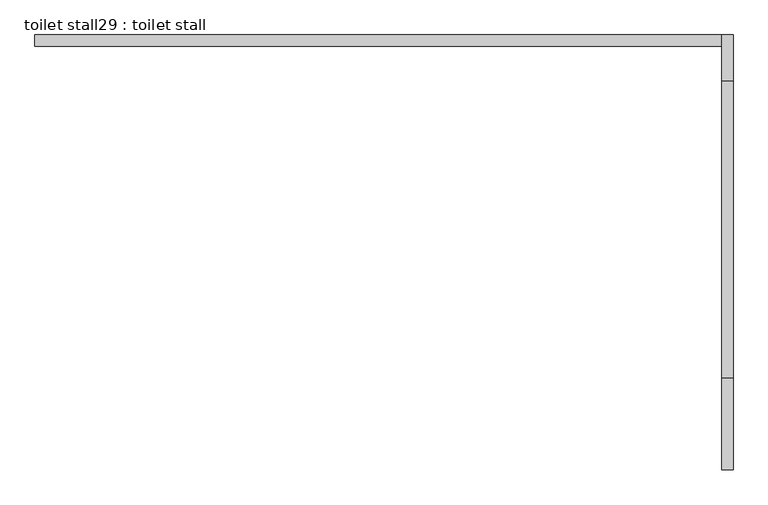
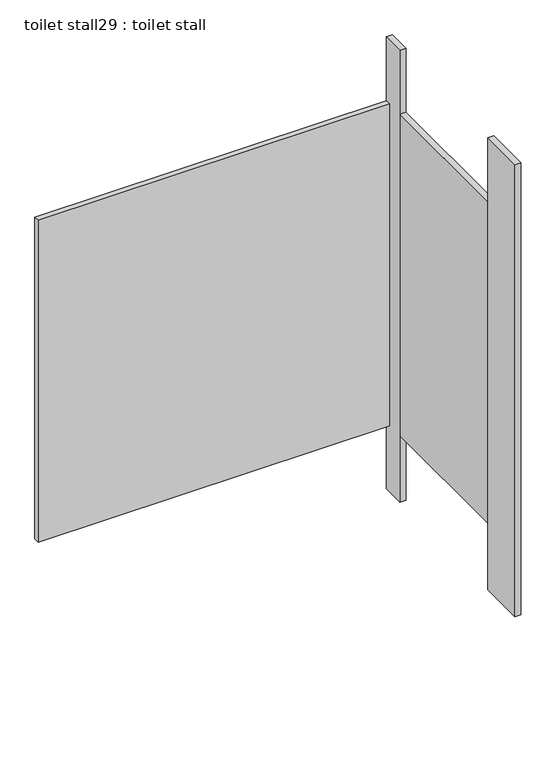
"""IFC4 building model written with IfcOpenShell, lengths in millimetres: proxy geometry, toilet stall29 : toilet stall."""

import ifcopenshell
import ifcopenshell.guid

model = None  # the IFC model being written
_history = None  # IfcOwnerHistory: only IFC2X3 demands one
_inside = {}  # id of a spatial element -> (the spatial element, [elements in it])
_under = {}  # id of a project, library or spatial element -> (it, [spatial elements below it])
_declared = {}  # id of a project -> (the project, [libraries it declares])
_typed = {}  # id of a type object -> (the type object, [elements of that type])
_made_of = {}  # id of a material, layer set ... -> (it, [elements and type objects made of it])


def new_model(schema):
    """Start an empty IFC model of exactly this schema.

    Asked for "IFC4X3", IfcOpenShell would pick the latest addendum, in which some entities
    have other attributes; the version numbers below select the first issue.
    IFC2X3 requires an IfcOwnerHistory on every rooted entity: one is made here for all.
    """
    global model, _history
    if schema == "IFC4X3":
        model = ifcopenshell.file(schema_version=(4, 3, 0, 0))
    else:
        model = ifcopenshell.file(schema=schema)
    _inside.clear()
    _under.clear()
    _declared.clear()
    _typed.clear()
    _made_of.clear()
    _history = None
    if model.schema == "IFC2X3":
        org = make("IfcOrganization", Name="unknown")
        user = make(
            "IfcPersonAndOrganization",
            ThePerson=make("IfcPerson", FamilyName="unknown"),
            TheOrganization=org,
        )
        app = make(
            "IfcApplication",
            ApplicationDeveloper=org,
            Version="unknown",
            ApplicationFullName="unknown",
            ApplicationIdentifier="unknown",
        )
        _history = make(
            "IfcOwnerHistory",
            OwningUser=user,
            OwningApplication=app,
            ChangeAction="ADDED",
            CreationDate=0,
        )
    return model


def make(cls, **values):
    """One entity of the class cls with the attributes given. An attribute that is None is left unset."""
    return model.create_entity(
        cls, **{name: value for name, value in values.items() if value is not None}
    )


def rooted(cls, **values):
    """An entity with a GlobalId (a new one), such as an element, a storey or a relation."""
    return make(cls, GlobalId=ifcopenshell.guid.new(), OwnerHistory=_history, **values)


def si_unit(unit_type, name, prefix=None):
    """IfcSIUnit, for example si_unit("LENGTHUNIT", "METRE", prefix="MILLI")."""
    return make("IfcSIUnit", UnitType=unit_type, Prefix=prefix, Name=name)


def assignment(units):
    """IfcUnitAssignment: the units of a project."""
    return None if units is None else make("IfcUnitAssignment", Units=units)


def point(xyz):
    """IfcCartesianPoint."""
    return None if xyz is None else make("IfcCartesianPoint", Coordinates=xyz)


def direction(xyz):
    """IfcDirection."""
    return None if xyz is None else make("IfcDirection", DirectionRatios=xyz)


def frame(location, z_axis=None, x_axis=None):
    """IfcAxis2Placement3D, a coordinate frame: its origin and axes. An axis left out is left unset."""
    return make(
        "IfcAxis2Placement3D",
        Location=point(location),
        Axis=direction(z_axis),
        RefDirection=direction(x_axis),
    )


def origin():
    """The frame at (0, 0, 0) with its axes left unset."""
    return frame((0.0, 0.0, 0.0))


def origin_with_axes():
    """The frame at (0, 0, 0) with the z axis (0, 0, 1) and the x axis (1, 0, 0) written out."""
    return frame((0.0, 0.0, 0.0), z_axis=(0.0, 0.0, 1.0), x_axis=(1.0, 0.0, 0.0))


def place(relative_to, where):
    """IfcLocalPlacement: puts the frame where relative to a parent placement (None: the world)."""
    return make(
        "IfcLocalPlacement", PlacementRelTo=relative_to, RelativePlacement=where
    )


def context(
    kind, dimensions, precision=None, world=None, true_north=None, identifier=None
):
    """IfcGeometricRepresentationContext, for example the 3D "Model" context."""
    return make(
        "IfcGeometricRepresentationContext",
        ContextIdentifier=identifier,
        ContextType=kind,
        CoordinateSpaceDimension=dimensions,
        Precision=precision,
        WorldCoordinateSystem=world,
        TrueNorth=true_north,
    )


def project(units=None, contexts=None):
    """IfcProject with its units and contexts."""
    return rooted(
        "IfcProject",
        Name="project",
        RepresentationContexts=contexts,
        UnitsInContext=assignment(units),
    )


def spatial(cls, under=None, at=None, **own):
    """A site, building, storey or space (cls), placed at a placement, below another one or the project."""
    s = rooted(cls, ObjectPlacement=at, **own)
    if under is not None:
        _under.setdefault(under.id(), (under, []))[1].append(s)
    return s


def polyline(points):
    """IfcPolyline through the points."""
    return make("IfcPolyline", Points=[point(p) for p in points])


def outline(outer, holes=None, kind="AREA"):
    """IfcArbitraryClosedProfileDef: a profile drawn as a closed curve; with holes, ...WithVoids."""
    if holes is None:
        return make("IfcArbitraryClosedProfileDef", ProfileType=kind, OuterCurve=outer)
    return make(
        "IfcArbitraryProfileDefWithVoids",
        ProfileType=kind,
        OuterCurve=outer,
        InnerCurves=holes,
    )


def extrude(swept, where, along, depth):
    """IfcExtrudedAreaSolid: the profile swept, set in the frame where, extruded along a direction by depth."""
    return make(
        "IfcExtrudedAreaSolid",
        SweptArea=swept,
        Position=where,
        ExtrudedDirection=direction(along),
        Depth=depth,
    )


def shape(context_of_items, identifier, shape_type, items):
    """IfcShapeRepresentation: the items that make up one representation, for example the "Body"."""
    return make(
        "IfcShapeRepresentation",
        ContextOfItems=context_of_items,
        RepresentationIdentifier=identifier,
        RepresentationType=shape_type,
        Items=items,
    )


def source(mapping_origin, context_of_items, identifier, shape_type, items):
    """IfcRepresentationMap: a shape defined once, which mapped items show again and again."""
    return make(
        "IfcRepresentationMap",
        MappingOrigin=mapping_origin,
        MappedRepresentation=shape(context_of_items, identifier, shape_type, items),
    )


def transform(
    local_origin,
    x_axis=None,
    y_axis=None,
    z_axis=None,
    scale=None,
    scale2=None,
    scale3=None,
    uniform=True,
):
    """IfcCartesianTransformationOperator3D, or its non-uniform kind. x_axis, y_axis, z_axis: its Axis1, 2, 3."""
    if uniform:
        return make(
            "IfcCartesianTransformationOperator3D",
            Axis1=direction(x_axis),
            Axis2=direction(y_axis),
            LocalOrigin=point(local_origin),
            Scale=scale,
            Axis3=direction(z_axis),
        )
    return make(
        "IfcCartesianTransformationOperator3DnonUniform",
        Axis1=direction(x_axis),
        Axis2=direction(y_axis),
        LocalOrigin=point(local_origin),
        Scale=scale,
        Axis3=direction(z_axis),
        Scale2=scale2,
        Scale3=scale3,
    )


def mapped(mapping_source, mapping_target):
    """IfcMappedItem: shows the shape of a source again, moved by a transform."""
    return make(
        "IfcMappedItem", MappingSource=mapping_source, MappingTarget=mapping_target
    )


def made_of(thing, what):
    """Note that an element or type object is made of a material, layer set ...; save() writes the relation."""
    if what is not None:
        _made_of.setdefault(what.id(), (what, []))[1].append(thing)
    return thing


def element(
    cls,
    number,
    at=None,
    inside=None,
    cuts=None,
    type_object=None,
    material=None,
    context=None,
    identifier="Body",
    shape_type=None,
    held_by="IfcProductDefinitionShape",
    body=None,
    shapes=None,
    **own,
):
    """One element of the class cls, such as IfcWall. Its Tag is "e" and its number.

    at: its placement. inside: the storey or other place that contains it. cuts: it is an
    opening in that element (IfcRelVoidsElement). A single representation is given by context,
    identifier, shape_type and body (its items); several are given by shapes. held_by: the class
    of the entity that holds the representations. save() writes the other relations.
    """
    e = rooted(cls, Tag="e%d" % number, ObjectPlacement=at, **own)
    if body is not None:
        shapes = [shape(context, identifier, shape_type, body)]
    if shapes is not None:
        e.Representation = make(held_by, Representations=shapes)
    if inside is not None:
        _inside.setdefault(inside.id(), (inside, []))[1].append(e)
    if cuts is not None:
        rooted(
            "IfcRelVoidsElement", RelatingBuildingElement=cuts, RelatedOpeningElement=e
        )
    if type_object is not None:
        _typed.setdefault(type_object.id(), (type_object, []))[1].append(e)
    return made_of(e, material)


def aggregate(whole, parts):
    """IfcRelAggregates: a whole, such as a stair, and the parts it consists of."""
    return rooted("IfcRelAggregates", RelatingObject=whole, RelatedObjects=parts)


def save(model, path):
    """Write the relations noted so far, then the file.

    IfcRelAggregates (storeys below a building ...), IfcRelContainedInSpatialStructure (elements
    in a storey), IfcRelDefinesByType, IfcRelAssociatesMaterial and IfcRelDeclares: one each for
    every whole, place, type object, material and project.
    """
    for whole, parts in _under.values():
        aggregate(whole, parts)
    for where, things in _inside.values():
        rooted(
            "IfcRelContainedInSpatialStructure",
            RelatedElements=things,
            RelatingStructure=where,
        )
    for kind, things in _typed.values():
        rooted("IfcRelDefinesByType", RelatedObjects=things, RelatingType=kind)
    for what, things in _made_of.values():
        rooted("IfcRelAssociatesMaterial", RelatedObjects=things, RelatingMaterial=what)
    for by, libraries in _declared.values():
        rooted("IfcRelDeclares", RelatingContext=by, RelatedDefinitions=libraries)
    model.write(path)


def toilet_stall29_toilet_stall_929241ac(model_context):
    return source(origin(), model_context, "Body", "SweptSolid", [
        extrude(outline(polyline([(461357.4504676, -269951.0233948), (461382.8504676, -269951.0233948), (461382.8504676, -270154.2233948), (461357.4504676, -270154.2233948), (461357.4504676, -269951.0233948)])), origin_with_axes(), (0.0, 0.0, 1.0), 2070.1),
        extrude(outline(polyline([(461357.4504676, -269189.0233948), (461382.8504676, -269189.0233948), (461382.8504676, -269290.6233948), (461357.4504676, -269290.6233948), (461357.4504676, -269189.0233948)])), origin_with_axes(), (0.0, 0.0, 1.0), 2070.1),
        extrude(outline(polyline([(461357.4504676, -269189.0233948), (461357.4504676, -269214.4233948), (459833.4504676, -269214.4233948), (459833.4504676, -269189.0233948), (461357.4504676, -269189.0233948)])), frame((0.0, 0.0, 304.8), z_axis=(0.0, 0.0, 1.0), x_axis=(1.0, 0.0, 0.0)), (0.0, 0.0, 1.0), 1473.2),
        extrude(outline(polyline([(461357.4504676, -269290.6233948), (461382.8504676, -269290.6233948), (461382.8504676, -269951.0233948), (461357.4504676, -269951.0233948), (461357.4504676, -269290.6233948)])), frame((0.0, 0.0, 304.8), z_axis=(0.0, 0.0, 1.0), x_axis=(1.0, 0.0, 0.0)), (0.0, 0.0, 1.0), 1473.2),
    ])


if __name__ == "__main__":
    model = new_model("IFC4")
    model_context = context("Model", 3, world=origin())
    ifc_project = project(units=[si_unit("LENGTHUNIT", "METRE", prefix="MILLI")], contexts=[model_context])
    site = spatial("IfcSite", under=ifc_project)
    building = spatial("IfcBuilding", under=site)
    placement = place(None, origin())
    toilet_stall29_toilet_stall_shape = toilet_stall29_toilet_stall_929241ac(model_context)
    element("IfcBuildingElementProxy", 1, Name="toilet stall29 : toilet stall", ObjectType="toilet stall29 : toilet stall", at=placement, inside=building, context=model_context, shape_type="MappedRepresentation", body=[
        mapped(toilet_stall29_toilet_stall_shape, transform((0.0, 0.0, 0.0), x_axis=(1.0, 0.0, 0.0), y_axis=(0.0, 1.0, 0.0), z_axis=(0.0, 0.0, 1.0))),
    ])
    save(model, "model.ifc")
